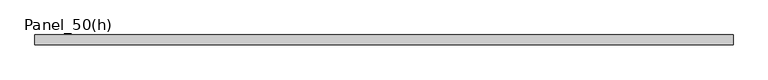
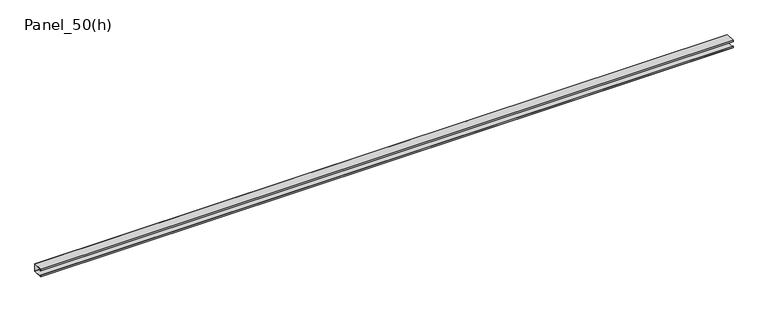
"""IFC4 building model written with IfcOpenShell, lengths in millimetres: plate geometry, Panel_50(h)."""

import ifcopenshell
import ifcopenshell.guid

model = None  # the IFC model being written
_history = None  # IfcOwnerHistory: only IFC2X3 demands one
_inside = {}  # id of a spatial element -> (the spatial element, [elements in it])
_under = {}  # id of a project, library or spatial element -> (it, [spatial elements below it])
_declared = {}  # id of a project -> (the project, [libraries it declares])
_typed = {}  # id of a type object -> (the type object, [elements of that type])
_made_of = {}  # id of a material, layer set ... -> (it, [elements and type objects made of it])


def new_model(schema):
    """Start an empty IFC model of exactly this schema.

    Asked for "IFC4X3", IfcOpenShell would pick the latest addendum, in which some entities
    have other attributes; the version numbers below select the first issue.
    IFC2X3 requires an IfcOwnerHistory on every rooted entity: one is made here for all.
    """
    global model, _history
    if schema == "IFC4X3":
        model = ifcopenshell.file(schema_version=(4, 3, 0, 0))
    else:
        model = ifcopenshell.file(schema=schema)
    _inside.clear()
    _under.clear()
    _declared.clear()
    _typed.clear()
    _made_of.clear()
    _history = None
    if model.schema == "IFC2X3":
        org = make("IfcOrganization", Name="unknown")
        user = make(
            "IfcPersonAndOrganization",
            ThePerson=make("IfcPerson", FamilyName="unknown"),
            TheOrganization=org,
        )
        app = make(
            "IfcApplication",
            ApplicationDeveloper=org,
            Version="unknown",
            ApplicationFullName="unknown",
            ApplicationIdentifier="unknown",
        )
        _history = make(
            "IfcOwnerHistory",
            OwningUser=user,
            OwningApplication=app,
            ChangeAction="ADDED",
            CreationDate=0,
        )
    return model


def make(cls, **values):
    """One entity of the class cls with the attributes given. An attribute that is None is left unset."""
    return model.create_entity(
        cls, **{name: value for name, value in values.items() if value is not None}
    )


def rooted(cls, **values):
    """An entity with a GlobalId (a new one), such as an element, a storey or a relation."""
    return make(cls, GlobalId=ifcopenshell.guid.new(), OwnerHistory=_history, **values)


def si_unit(unit_type, name, prefix=None):
    """IfcSIUnit, for example si_unit("LENGTHUNIT", "METRE", prefix="MILLI")."""
    return make("IfcSIUnit", UnitType=unit_type, Prefix=prefix, Name=name)


def assignment(units):
    """IfcUnitAssignment: the units of a project."""
    return None if units is None else make("IfcUnitAssignment", Units=units)


def point(xyz):
    """IfcCartesianPoint."""
    return None if xyz is None else make("IfcCartesianPoint", Coordinates=xyz)


def direction(xyz):
    """IfcDirection."""
    return None if xyz is None else make("IfcDirection", DirectionRatios=xyz)


def frame(location, z_axis=None, x_axis=None):
    """IfcAxis2Placement3D, a coordinate frame: its origin and axes. An axis left out is left unset."""
    return make(
        "IfcAxis2Placement3D",
        Location=point(location),
        Axis=direction(z_axis),
        RefDirection=direction(x_axis),
    )


def origin():
    """The frame at (0, 0, 0) with its axes left unset."""
    return frame((0.0, 0.0, 0.0))


def place(relative_to, where):
    """IfcLocalPlacement: puts the frame where relative to a parent placement (None: the world)."""
    return make(
        "IfcLocalPlacement", PlacementRelTo=relative_to, RelativePlacement=where
    )


def context(
    kind, dimensions, precision=None, world=None, true_north=None, identifier=None
):
    """IfcGeometricRepresentationContext, for example the 3D "Model" context."""
    return make(
        "IfcGeometricRepresentationContext",
        ContextIdentifier=identifier,
        ContextType=kind,
        CoordinateSpaceDimension=dimensions,
        Precision=precision,
        WorldCoordinateSystem=world,
        TrueNorth=true_north,
    )


def project(units=None, contexts=None):
    """IfcProject with its units and contexts."""
    return rooted(
        "IfcProject",
        Name="project",
        RepresentationContexts=contexts,
        UnitsInContext=assignment(units),
    )


def spatial(cls, under=None, at=None, **own):
    """A site, building, storey or space (cls), placed at a placement, below another one or the project."""
    s = rooted(cls, ObjectPlacement=at, **own)
    if under is not None:
        _under.setdefault(under.id(), (under, []))[1].append(s)
    return s


def polyline(points):
    """IfcPolyline through the points."""
    return make("IfcPolyline", Points=[point(p) for p in points])


def outline(outer, holes=None, kind="AREA"):
    """IfcArbitraryClosedProfileDef: a profile drawn as a closed curve; with holes, ...WithVoids."""
    if holes is None:
        return make("IfcArbitraryClosedProfileDef", ProfileType=kind, OuterCurve=outer)
    return make(
        "IfcArbitraryProfileDefWithVoids",
        ProfileType=kind,
        OuterCurve=outer,
        InnerCurves=holes,
    )


def extrude(swept, where, along, depth):
    """IfcExtrudedAreaSolid: the profile swept, set in the frame where, extruded along a direction by depth."""
    return make(
        "IfcExtrudedAreaSolid",
        SweptArea=swept,
        Position=where,
        ExtrudedDirection=direction(along),
        Depth=depth,
    )


def shape(context_of_items, identifier, shape_type, items):
    """IfcShapeRepresentation: the items that make up one representation, for example the "Body"."""
    return make(
        "IfcShapeRepresentation",
        ContextOfItems=context_of_items,
        RepresentationIdentifier=identifier,
        RepresentationType=shape_type,
        Items=items,
    )


def source(mapping_origin, context_of_items, identifier, shape_type, items):
    """IfcRepresentationMap: a shape defined once, which mapped items show again and again."""
    return make(
        "IfcRepresentationMap",
        MappingOrigin=mapping_origin,
        MappedRepresentation=shape(context_of_items, identifier, shape_type, items),
    )


def transform(
    local_origin,
    x_axis=None,
    y_axis=None,
    z_axis=None,
    scale=None,
    scale2=None,
    scale3=None,
    uniform=True,
):
    """IfcCartesianTransformationOperator3D, or its non-uniform kind. x_axis, y_axis, z_axis: its Axis1, 2, 3."""
    if uniform:
        return make(
            "IfcCartesianTransformationOperator3D",
            Axis1=direction(x_axis),
            Axis2=direction(y_axis),
            LocalOrigin=point(local_origin),
            Scale=scale,
            Axis3=direction(z_axis),
        )
    return make(
        "IfcCartesianTransformationOperator3DnonUniform",
        Axis1=direction(x_axis),
        Axis2=direction(y_axis),
        LocalOrigin=point(local_origin),
        Scale=scale,
        Axis3=direction(z_axis),
        Scale2=scale2,
        Scale3=scale3,
    )


def mapped(mapping_source, mapping_target):
    """IfcMappedItem: shows the shape of a source again, moved by a transform."""
    return make(
        "IfcMappedItem", MappingSource=mapping_source, MappingTarget=mapping_target
    )


def made_of(thing, what):
    """Note that an element or type object is made of a material, layer set ...; save() writes the relation."""
    if what is not None:
        _made_of.setdefault(what.id(), (what, []))[1].append(thing)
    return thing


def element(
    cls,
    number,
    at=None,
    inside=None,
    cuts=None,
    type_object=None,
    material=None,
    context=None,
    identifier="Body",
    shape_type=None,
    held_by="IfcProductDefinitionShape",
    body=None,
    shapes=None,
    **own,
):
    """One element of the class cls, such as IfcWall. Its Tag is "e" and its number.

    at: its placement. inside: the storey or other place that contains it. cuts: it is an
    opening in that element (IfcRelVoidsElement). A single representation is given by context,
    identifier, shape_type and body (its items); several are given by shapes. held_by: the class
    of the entity that holds the representations. save() writes the other relations.
    """
    e = rooted(cls, Tag="e%d" % number, ObjectPlacement=at, **own)
    if body is not None:
        shapes = [shape(context, identifier, shape_type, body)]
    if shapes is not None:
        e.Representation = make(held_by, Representations=shapes)
    if inside is not None:
        _inside.setdefault(inside.id(), (inside, []))[1].append(e)
    if cuts is not None:
        rooted(
            "IfcRelVoidsElement", RelatingBuildingElement=cuts, RelatedOpeningElement=e
        )
    if type_object is not None:
        _typed.setdefault(type_object.id(), (type_object, []))[1].append(e)
    return made_of(e, material)


def aggregate(whole, parts):
    """IfcRelAggregates: a whole, such as a stair, and the parts it consists of."""
    return rooted("IfcRelAggregates", RelatingObject=whole, RelatedObjects=parts)


def save(model, path):
    """Write the relations noted so far, then the file.

    IfcRelAggregates (storeys below a building ...), IfcRelContainedInSpatialStructure (elements
    in a storey), IfcRelDefinesByType, IfcRelAssociatesMaterial and IfcRelDeclares: one each for
    every whole, place, type object, material and project.
    """
    for whole, parts in _under.values():
        aggregate(whole, parts)
    for where, things in _inside.values():
        rooted(
            "IfcRelContainedInSpatialStructure",
            RelatedElements=things,
            RelatingStructure=where,
        )
    for kind, things in _typed.values():
        rooted("IfcRelDefinesByType", RelatedObjects=things, RelatingType=kind)
    for what, things in _made_of.values():
        rooted("IfcRelAssociatesMaterial", RelatedObjects=things, RelatingMaterial=what)
    for by, libraries in _declared.values():
        rooted("IfcRelDeclares", RelatingContext=by, RelatedDefinitions=libraries)
    model.write(path)


def panel_50_h_157a60e0(model_context):
    return source(origin(), model_context, "Body", "SweptSolid", [
        extrude(outline(polyline([(1780.0000002, 50.0), (1780.0000002, 49.2), (-1780.0000002, 49.2), (-1780.0000002, 50.0), (1780.0000002, 50.0)])), frame((0.0, 0.0, 18.0), z_axis=(0.0, 0.0, 1.0), x_axis=(1.0, 0.0, 0.0)), (0.0, 0.0, 1.0), 34.0),
        extrude(outline(polyline([(0.0, 55.0), (50.0, 55.0), (50.0, 52.0), (49.2, 52.0), (49.2, 54.2), (0.8, 54.2), (0.8, 47.0), (0.0, 47.0), (0.0, 55.0)])), frame((-1780.0000002, 0.0, 0.0), z_axis=(1.0, 0.0, 0.0), x_axis=(0.0, 1.0, 0.0)), (0.0, 0.0, 1.0), 3560.0000003),
        extrude(outline(polyline([(0.0, 15.0), (0.0, 23.0), (0.8, 23.0), (0.8, 15.8), (49.2, 15.8), (49.2, 18.0), (50.0, 18.0), (50.0, 15.0), (0.0, 15.0)])), frame((-1780.0000002, 0.0, 0.0), z_axis=(1.0, 0.0, 0.0), x_axis=(0.0, 1.0, 0.0)), (0.0, 0.0, 1.0), 3560.0000003),
    ])


if __name__ == "__main__":
    model = new_model("IFC4")
    model_context = context("Model", 3, world=origin())
    ifc_project = project(units=[si_unit("LENGTHUNIT", "METRE", prefix="MILLI")], contexts=[model_context])
    site = spatial("IfcSite", under=ifc_project)
    building = spatial("IfcBuilding", under=site)
    placement = place(None, origin())
    panel_50_h_shape = panel_50_h_157a60e0(model_context)
    element("IfcPlate", 1, ObjectType="Panel_50(h)", at=placement, inside=building, context=model_context, shape_type="MappedRepresentation", body=[
        mapped(panel_50_h_shape, transform((0.0, 0.0, 0.0), x_axis=(1.0, 0.0, 0.0), y_axis=(0.0, 1.0, 0.0), z_axis=(0.0, 0.0, 1.0))),
    ])
    save(model, "model.ifc")
